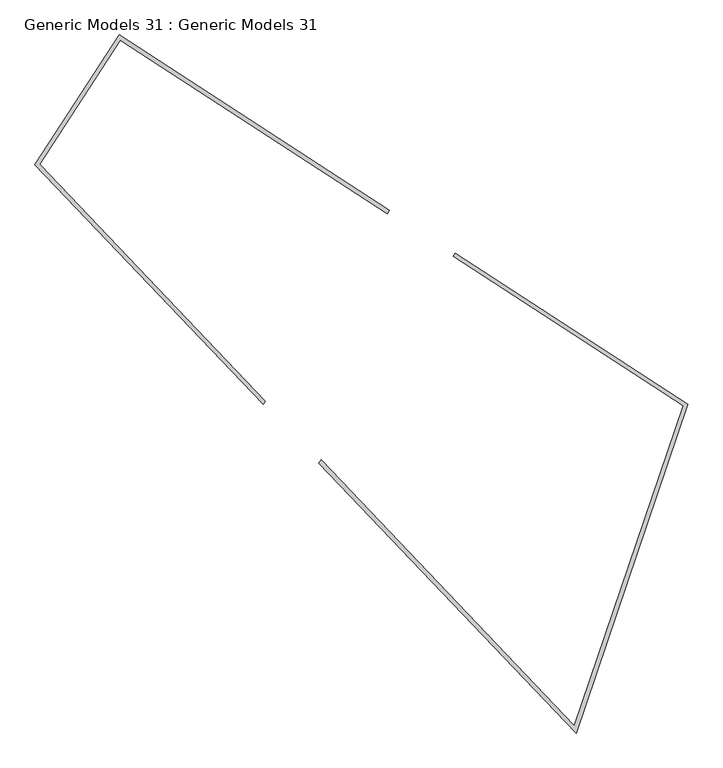
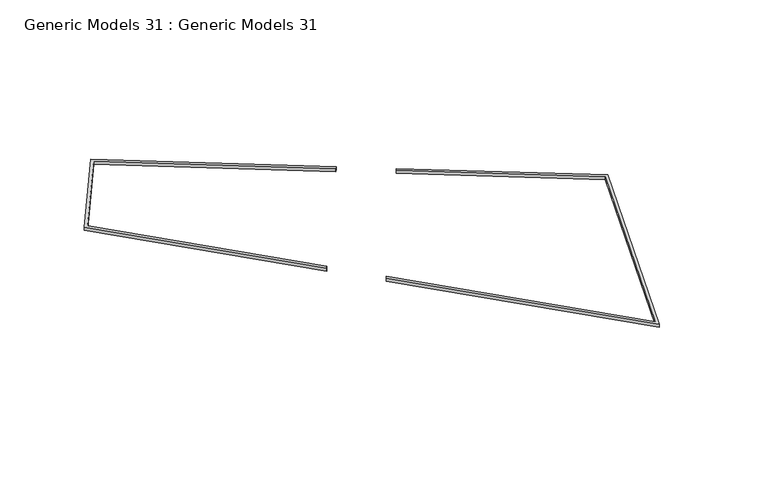
"""IFC4 building model written with IfcOpenShell, lengths in millimetres: proxy geometry, Generic Models 31 : Generic Models 31."""

from ifc_helpers import new_model, si_unit, frame, origin, place, context, project, spatial, polyline, outline, extrude, source, transform, mapped, element, save


def generic_models_31_generic_models_31_2acb9d90(model_context):
    return source(origin(), model_context, "Body", "SweptSolid", [
        extrude(outline(polyline([(-199202.3604996, 25737.3042656), (-199314.3186559, 25564.8551767), (-210887.3711952, 37718.3743831), (-206606.8858965, 44307.5086458), (-192919.0386875, 35415.50153), (-193027.9448833, 35247.7533743), (-206548.1224523, 44030.8376179), (-210633.5959769, 37741.8933275), (-199202.3604996, 25737.3042656)])), frame((0.0, 0.0, 4730.0), z_axis=(0.0, 0.0, 1.0), x_axis=(1.0, 0.0, 0.0)), (0.0, 0.0, 1.0), 250.0),
        extrude(outline(polyline([(-178010.5654103, 25492.0450372), (-189673.6000288, 33068.6774495), (-189564.693833, 33236.4256053), (-177771.1300446, 25574.9978054), (-183440.8400007, 8895.2144703), (-196478.61293, 22586.9196765), (-196366.6547737, 22759.3687654), (-183523.86016, 9272.4213528), (-178010.5654103, 25492.0450372)])), frame((0.0, 0.0, 4730.0), z_axis=(0.0, 0.0, 1.0), x_axis=(1.0, 0.0, 0.0)), (0.0, 0.0, 1.0), 250.0),
    ])


if __name__ == "__main__":
    model = new_model("IFC4")
    model_context = context("Model", 3, world=origin())
    ifc_project = project(units=[si_unit("LENGTHUNIT", "METRE", prefix="MILLI")], contexts=[model_context])
    site = spatial("IfcSite", under=ifc_project)
    building = spatial("IfcBuilding", under=site)
    placement = place(None, origin())
    generic_models_31_generic_models_31_shape = generic_models_31_generic_models_31_2acb9d90(model_context)
    element("IfcBuildingElementProxy", 1, Name="Generic Models 31 : Generic Models 31", ObjectType="Generic Models 31 : Generic Models 31", at=placement, inside=building, context=model_context, shape_type="MappedRepresentation", body=[
        mapped(generic_models_31_generic_models_31_shape, transform((0.0, 0.0, 0.0), x_axis=(1.0, 0.0, 0.0), y_axis=(0.0, 1.0, 0.0), z_axis=(0.0, 0.0, 1.0))),
    ])
    save(model, "model.ifc")
